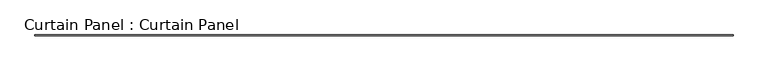
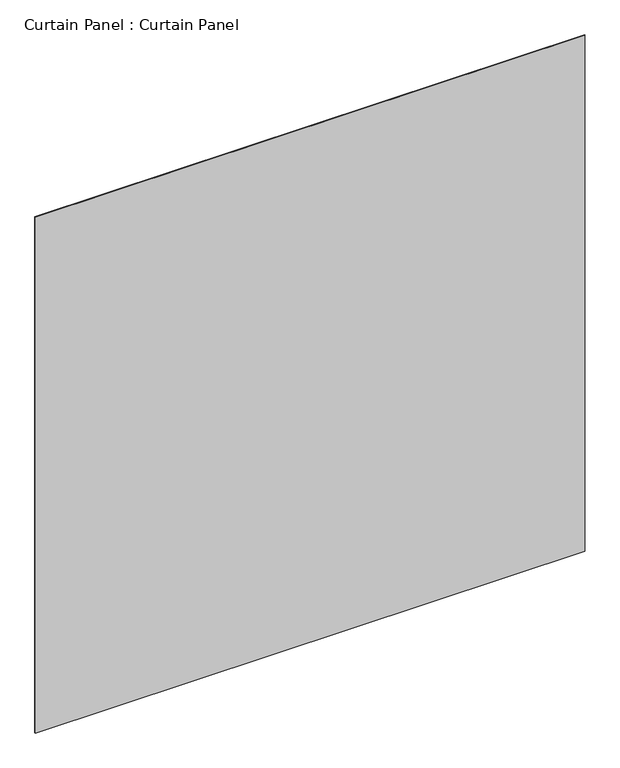
"""IFC4 building model written with IfcOpenShell, lengths in millimetres: plate geometry, Curtain Panel : Curtain Panel."""

from ifc_helpers import new_model, si_unit, frame, origin, place, context, project, spatial, polyline, outline, extrude, source, transform, mapped, element, save


def curtain_panel_curtain_panel_4c4acd32(model_context):
    return source(origin(), model_context, "Body", "SweptSolid", [
        extrude(outline(polyline([(55313.563518, 2929.6776643), (49265.188518, 2929.6776643), (49265.188518, 2936.0276643), (55313.563518, 2936.0276643), (55313.563518, 2929.6776643)])), frame((0.0, 0.0, 5166.5241896), z_axis=(0.0, 0.0, 1.0), x_axis=(1.0, 0.0, 0.0)), (0.0, 0.0, 1.0), 6000.75),
    ])


if __name__ == "__main__":
    model = new_model("IFC4")
    model_context = context("Model", 3, world=origin())
    ifc_project = project(units=[si_unit("LENGTHUNIT", "METRE", prefix="MILLI")], contexts=[model_context])
    site = spatial("IfcSite", under=ifc_project)
    building = spatial("IfcBuilding", under=site)
    placement = place(None, origin())
    curtain_panel_curtain_panel_shape = curtain_panel_curtain_panel_4c4acd32(model_context)
    element("IfcPlate", 1, ObjectType="Curtain Panel : Curtain Panel", at=placement, inside=building, context=model_context, shape_type="MappedRepresentation", body=[
        mapped(curtain_panel_curtain_panel_shape, transform((0.0, 0.0, 0.0), x_axis=(1.0, 0.0, 0.0), y_axis=(0.0, 1.0, 0.0), z_axis=(0.0, 0.0, 1.0))),
    ])
    save(model, "model.ifc")
